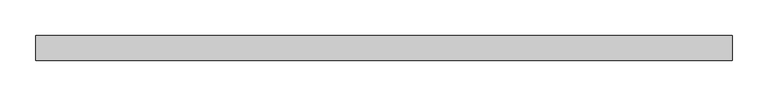
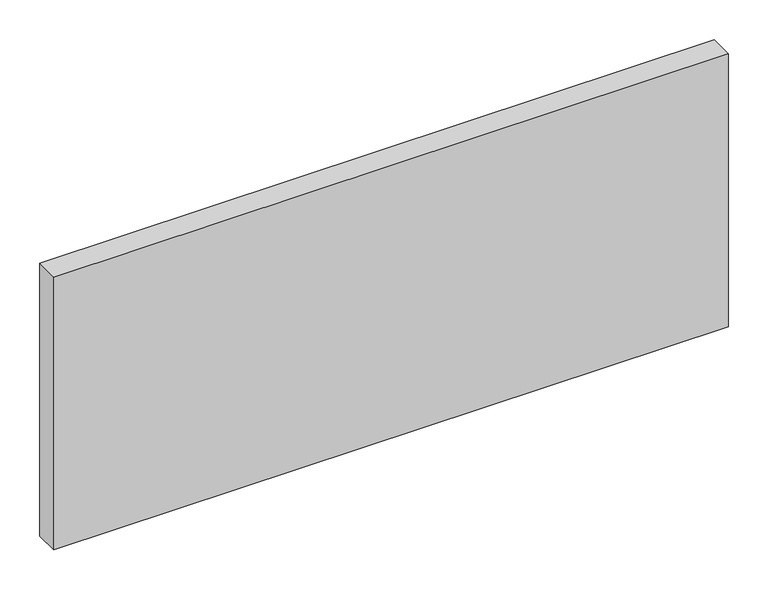
"""IFC4 building model written with IfcOpenShell, lengths in millimetres: plate geometry."""

import ifcopenshell
import ifcopenshell.guid

model = None  # the IFC model being written
_history = None  # IfcOwnerHistory: only IFC2X3 demands one
_inside = {}  # id of a spatial element -> (the spatial element, [elements in it])
_under = {}  # id of a project, library or spatial element -> (it, [spatial elements below it])
_declared = {}  # id of a project -> (the project, [libraries it declares])
_typed = {}  # id of a type object -> (the type object, [elements of that type])
_made_of = {}  # id of a material, layer set ... -> (it, [elements and type objects made of it])


def new_model(schema):
    """Start an empty IFC model of exactly this schema.

    Asked for "IFC4X3", IfcOpenShell would pick the latest addendum, in which some entities
    have other attributes; the version numbers below select the first issue.
    IFC2X3 requires an IfcOwnerHistory on every rooted entity: one is made here for all.
    """
    global model, _history
    if schema == "IFC4X3":
        model = ifcopenshell.file(schema_version=(4, 3, 0, 0))
    else:
        model = ifcopenshell.file(schema=schema)
    _inside.clear()
    _under.clear()
    _declared.clear()
    _typed.clear()
    _made_of.clear()
    _history = None
    if model.schema == "IFC2X3":
        org = make("IfcOrganization", Name="unknown")
        user = make(
            "IfcPersonAndOrganization",
            ThePerson=make("IfcPerson", FamilyName="unknown"),
            TheOrganization=org,
        )
        app = make(
            "IfcApplication",
            ApplicationDeveloper=org,
            Version="unknown",
            ApplicationFullName="unknown",
            ApplicationIdentifier="unknown",
        )
        _history = make(
            "IfcOwnerHistory",
            OwningUser=user,
            OwningApplication=app,
            ChangeAction="ADDED",
            CreationDate=0,
        )
    return model


def make(cls, **values):
    """One entity of the class cls with the attributes given. An attribute that is None is left unset."""
    return model.create_entity(
        cls, **{name: value for name, value in values.items() if value is not None}
    )


def rooted(cls, **values):
    """An entity with a GlobalId (a new one), such as an element, a storey or a relation."""
    return make(cls, GlobalId=ifcopenshell.guid.new(), OwnerHistory=_history, **values)


def si_unit(unit_type, name, prefix=None):
    """IfcSIUnit, for example si_unit("LENGTHUNIT", "METRE", prefix="MILLI")."""
    return make("IfcSIUnit", UnitType=unit_type, Prefix=prefix, Name=name)


def assignment(units):
    """IfcUnitAssignment: the units of a project."""
    return None if units is None else make("IfcUnitAssignment", Units=units)


def point(xyz):
    """IfcCartesianPoint."""
    return None if xyz is None else make("IfcCartesianPoint", Coordinates=xyz)


def direction(xyz):
    """IfcDirection."""
    return None if xyz is None else make("IfcDirection", DirectionRatios=xyz)


def frame(location, z_axis=None, x_axis=None):
    """IfcAxis2Placement3D, a coordinate frame: its origin and axes. An axis left out is left unset."""
    return make(
        "IfcAxis2Placement3D",
        Location=point(location),
        Axis=direction(z_axis),
        RefDirection=direction(x_axis),
    )


def origin():
    """The frame at (0, 0, 0) with its axes left unset."""
    return frame((0.0, 0.0, 0.0))


def origin_with_axes():
    """The frame at (0, 0, 0) with the z axis (0, 0, 1) and the x axis (1, 0, 0) written out."""
    return frame((0.0, 0.0, 0.0), z_axis=(0.0, 0.0, 1.0), x_axis=(1.0, 0.0, 0.0))


def place(relative_to, where):
    """IfcLocalPlacement: puts the frame where relative to a parent placement (None: the world)."""
    return make(
        "IfcLocalPlacement", PlacementRelTo=relative_to, RelativePlacement=where
    )


def context(
    kind, dimensions, precision=None, world=None, true_north=None, identifier=None
):
    """IfcGeometricRepresentationContext, for example the 3D "Model" context."""
    return make(
        "IfcGeometricRepresentationContext",
        ContextIdentifier=identifier,
        ContextType=kind,
        CoordinateSpaceDimension=dimensions,
        Precision=precision,
        WorldCoordinateSystem=world,
        TrueNorth=true_north,
    )


def project(units=None, contexts=None):
    """IfcProject with its units and contexts."""
    return rooted(
        "IfcProject",
        Name="project",
        RepresentationContexts=contexts,
        UnitsInContext=assignment(units),
    )


def spatial(cls, under=None, at=None, **own):
    """A site, building, storey or space (cls), placed at a placement, below another one or the project."""
    s = rooted(cls, ObjectPlacement=at, **own)
    if under is not None:
        _under.setdefault(under.id(), (under, []))[1].append(s)
    return s


def polyline(points):
    """IfcPolyline through the points."""
    return make("IfcPolyline", Points=[point(p) for p in points])


def outline(outer, holes=None, kind="AREA"):
    """IfcArbitraryClosedProfileDef: a profile drawn as a closed curve; with holes, ...WithVoids."""
    if holes is None:
        return make("IfcArbitraryClosedProfileDef", ProfileType=kind, OuterCurve=outer)
    return make(
        "IfcArbitraryProfileDefWithVoids",
        ProfileType=kind,
        OuterCurve=outer,
        InnerCurves=holes,
    )


def extrude(swept, where, along, depth):
    """IfcExtrudedAreaSolid: the profile swept, set in the frame where, extruded along a direction by depth."""
    return make(
        "IfcExtrudedAreaSolid",
        SweptArea=swept,
        Position=where,
        ExtrudedDirection=direction(along),
        Depth=depth,
    )


def shape(context_of_items, identifier, shape_type, items):
    """IfcShapeRepresentation: the items that make up one representation, for example the "Body"."""
    return make(
        "IfcShapeRepresentation",
        ContextOfItems=context_of_items,
        RepresentationIdentifier=identifier,
        RepresentationType=shape_type,
        Items=items,
    )


def source(mapping_origin, context_of_items, identifier, shape_type, items):
    """IfcRepresentationMap: a shape defined once, which mapped items show again and again."""
    return make(
        "IfcRepresentationMap",
        MappingOrigin=mapping_origin,
        MappedRepresentation=shape(context_of_items, identifier, shape_type, items),
    )


def transform(
    local_origin,
    x_axis=None,
    y_axis=None,
    z_axis=None,
    scale=None,
    scale2=None,
    scale3=None,
    uniform=True,
):
    """IfcCartesianTransformationOperator3D, or its non-uniform kind. x_axis, y_axis, z_axis: its Axis1, 2, 3."""
    if uniform:
        return make(
            "IfcCartesianTransformationOperator3D",
            Axis1=direction(x_axis),
            Axis2=direction(y_axis),
            LocalOrigin=point(local_origin),
            Scale=scale,
            Axis3=direction(z_axis),
        )
    return make(
        "IfcCartesianTransformationOperator3DnonUniform",
        Axis1=direction(x_axis),
        Axis2=direction(y_axis),
        LocalOrigin=point(local_origin),
        Scale=scale,
        Axis3=direction(z_axis),
        Scale2=scale2,
        Scale3=scale3,
    )


def mapped(mapping_source, mapping_target):
    """IfcMappedItem: shows the shape of a source again, moved by a transform."""
    return make(
        "IfcMappedItem", MappingSource=mapping_source, MappingTarget=mapping_target
    )


def made_of(thing, what):
    """Note that an element or type object is made of a material, layer set ...; save() writes the relation."""
    if what is not None:
        _made_of.setdefault(what.id(), (what, []))[1].append(thing)
    return thing


def element(
    cls,
    number,
    at=None,
    inside=None,
    cuts=None,
    type_object=None,
    material=None,
    context=None,
    identifier="Body",
    shape_type=None,
    held_by="IfcProductDefinitionShape",
    body=None,
    shapes=None,
    **own,
):
    """One element of the class cls, such as IfcWall. Its Tag is "e" and its number.

    at: its placement. inside: the storey or other place that contains it. cuts: it is an
    opening in that element (IfcRelVoidsElement). A single representation is given by context,
    identifier, shape_type and body (its items); several are given by shapes. held_by: the class
    of the entity that holds the representations. save() writes the other relations.
    """
    e = rooted(cls, Tag="e%d" % number, ObjectPlacement=at, **own)
    if body is not None:
        shapes = [shape(context, identifier, shape_type, body)]
    if shapes is not None:
        e.Representation = make(held_by, Representations=shapes)
    if inside is not None:
        _inside.setdefault(inside.id(), (inside, []))[1].append(e)
    if cuts is not None:
        rooted(
            "IfcRelVoidsElement", RelatingBuildingElement=cuts, RelatedOpeningElement=e
        )
    if type_object is not None:
        _typed.setdefault(type_object.id(), (type_object, []))[1].append(e)
    return made_of(e, material)


def aggregate(whole, parts):
    """IfcRelAggregates: a whole, such as a stair, and the parts it consists of."""
    return rooted("IfcRelAggregates", RelatingObject=whole, RelatedObjects=parts)


def save(model, path):
    """Write the relations noted so far, then the file.

    IfcRelAggregates (storeys below a building ...), IfcRelContainedInSpatialStructure (elements
    in a storey), IfcRelDefinesByType, IfcRelAssociatesMaterial and IfcRelDeclares: one each for
    every whole, place, type object, material and project.
    """
    for whole, parts in _under.values():
        aggregate(whole, parts)
    for where, things in _inside.values():
        rooted(
            "IfcRelContainedInSpatialStructure",
            RelatedElements=things,
            RelatingStructure=where,
        )
    for kind, things in _typed.values():
        rooted("IfcRelDefinesByType", RelatedObjects=things, RelatingType=kind)
    for what, things in _made_of.values():
        rooted("IfcRelAssociatesMaterial", RelatedObjects=things, RelatingMaterial=what)
    for by, libraries in _declared.values():
        rooted("IfcRelDeclares", RelatingContext=by, RelatedDefinitions=libraries)
    model.write(path)


def plate_f5eaf485(model_context):
    return source(origin(), model_context, "Body", "SweptSolid", [
        extrude(outline(polyline([(488.0982143, -17.5), (-488.0982143, -17.5), (-488.0982143, 17.5), (488.0982143, 17.5), (488.0982143, -17.5)])), origin_with_axes(), (0.0, 0.0, 1.0), 417.625),
    ])


if __name__ == "__main__":
    model = new_model("IFC4")
    model_context = context("Model", 3, world=origin())
    ifc_project = project(units=[si_unit("LENGTHUNIT", "METRE", prefix="MILLI")], contexts=[model_context])
    site = spatial("IfcSite", under=ifc_project)
    building = spatial("IfcBuilding", under=site)
    placement = place(None, origin())
    plate_shape = plate_f5eaf485(model_context)
    element("IfcPlate", 1, at=placement, inside=building, context=model_context, shape_type="MappedRepresentation", body=[
        mapped(plate_shape, transform((0.0, 0.0, 0.0), x_axis=(1.0, 0.0, 0.0), y_axis=(0.0, 1.0, 0.0), z_axis=(0.0, 0.0, 1.0))),
    ])
    save(model, "model.ifc")
